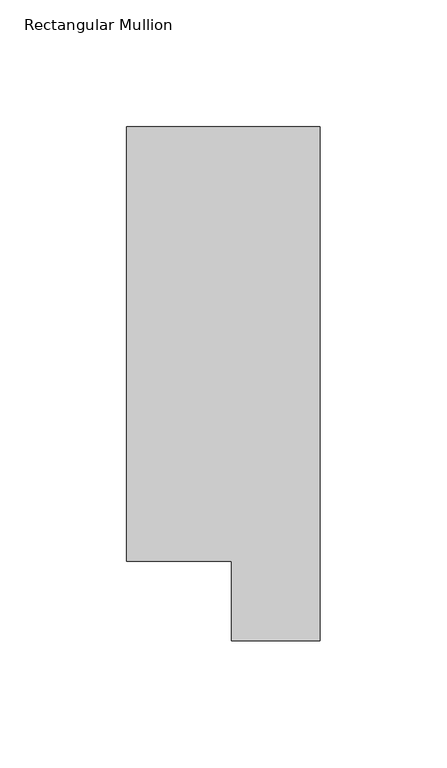
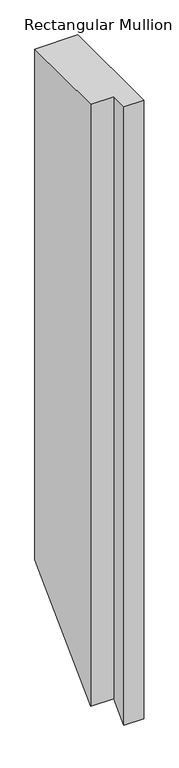
"""IFC4 building model written with IfcOpenShell, lengths in millimetres: member geometry, Rectangular Mullion."""

import ifcopenshell
import ifcopenshell.guid

model = None  # the IFC model being written
_history = None  # IfcOwnerHistory: only IFC2X3 demands one
_inside = {}  # id of a spatial element -> (the spatial element, [elements in it])
_under = {}  # id of a project, library or spatial element -> (it, [spatial elements below it])
_declared = {}  # id of a project -> (the project, [libraries it declares])
_typed = {}  # id of a type object -> (the type object, [elements of that type])
_made_of = {}  # id of a material, layer set ... -> (it, [elements and type objects made of it])


def new_model(schema):
    """Start an empty IFC model of exactly this schema.

    Asked for "IFC4X3", IfcOpenShell would pick the latest addendum, in which some entities
    have other attributes; the version numbers below select the first issue.
    IFC2X3 requires an IfcOwnerHistory on every rooted entity: one is made here for all.
    """
    global model, _history
    if schema == "IFC4X3":
        model = ifcopenshell.file(schema_version=(4, 3, 0, 0))
    else:
        model = ifcopenshell.file(schema=schema)
    _inside.clear()
    _under.clear()
    _declared.clear()
    _typed.clear()
    _made_of.clear()
    _history = None
    if model.schema == "IFC2X3":
        org = make("IfcOrganization", Name="unknown")
        user = make(
            "IfcPersonAndOrganization",
            ThePerson=make("IfcPerson", FamilyName="unknown"),
            TheOrganization=org,
        )
        app = make(
            "IfcApplication",
            ApplicationDeveloper=org,
            Version="unknown",
            ApplicationFullName="unknown",
            ApplicationIdentifier="unknown",
        )
        _history = make(
            "IfcOwnerHistory",
            OwningUser=user,
            OwningApplication=app,
            ChangeAction="ADDED",
            CreationDate=0,
        )
    return model


def make(cls, **values):
    """One entity of the class cls with the attributes given. An attribute that is None is left unset."""
    return model.create_entity(
        cls, **{name: value for name, value in values.items() if value is not None}
    )


def rooted(cls, **values):
    """An entity with a GlobalId (a new one), such as an element, a storey or a relation."""
    return make(cls, GlobalId=ifcopenshell.guid.new(), OwnerHistory=_history, **values)


def si_unit(unit_type, name, prefix=None):
    """IfcSIUnit, for example si_unit("LENGTHUNIT", "METRE", prefix="MILLI")."""
    return make("IfcSIUnit", UnitType=unit_type, Prefix=prefix, Name=name)


def assignment(units):
    """IfcUnitAssignment: the units of a project."""
    return None if units is None else make("IfcUnitAssignment", Units=units)


def point(xyz):
    """IfcCartesianPoint."""
    return None if xyz is None else make("IfcCartesianPoint", Coordinates=xyz)


def direction(xyz):
    """IfcDirection."""
    return None if xyz is None else make("IfcDirection", DirectionRatios=xyz)


def frame(location, z_axis=None, x_axis=None):
    """IfcAxis2Placement3D, a coordinate frame: its origin and axes. An axis left out is left unset."""
    return make(
        "IfcAxis2Placement3D",
        Location=point(location),
        Axis=direction(z_axis),
        RefDirection=direction(x_axis),
    )


def origin():
    """The frame at (0, 0, 0) with its axes left unset."""
    return frame((0.0, 0.0, 0.0))


def place(relative_to, where):
    """IfcLocalPlacement: puts the frame where relative to a parent placement (None: the world)."""
    return make(
        "IfcLocalPlacement", PlacementRelTo=relative_to, RelativePlacement=where
    )


def context(
    kind, dimensions, precision=None, world=None, true_north=None, identifier=None
):
    """IfcGeometricRepresentationContext, for example the 3D "Model" context."""
    return make(
        "IfcGeometricRepresentationContext",
        ContextIdentifier=identifier,
        ContextType=kind,
        CoordinateSpaceDimension=dimensions,
        Precision=precision,
        WorldCoordinateSystem=world,
        TrueNorth=true_north,
    )


def project(units=None, contexts=None):
    """IfcProject with its units and contexts."""
    return rooted(
        "IfcProject",
        Name="project",
        RepresentationContexts=contexts,
        UnitsInContext=assignment(units),
    )


def spatial(cls, under=None, at=None, **own):
    """A site, building, storey or space (cls), placed at a placement, below another one or the project."""
    s = rooted(cls, ObjectPlacement=at, **own)
    if under is not None:
        _under.setdefault(under.id(), (under, []))[1].append(s)
    return s


def faces_of(points, faces, orient=None, outer=None):
    """IfcFace entities. A face is a list of loops; a loop is a list of indices into points, from 0.

    orient and outer hold one flag for each loop. By default every Orientation is true, the
    first loop of a face is its IfcFaceOuterBound and the others are IfcFaceBound.
    """
    made = []
    for i, loops in enumerate(faces):
        bounds = []
        for j, loop in enumerate(loops):
            is_outer = j == 0 if outer is None else outer[i][j]
            bounds.append(
                make(
                    "IfcFaceOuterBound" if is_outer else "IfcFaceBound",
                    Bound=make("IfcPolyLoop", Polygon=[points[k] for k in loop]),
                    Orientation=True if orient is None else orient[i][j],
                )
            )
        made.append(make("IfcFace", Bounds=bounds))
    return made


def faceted_brep(points, faces, orient=None, outer=None, voids=None):
    """IfcFacetedBrep: a solid bounded by flat faces; with voids (closed shells), ...WithVoids."""
    shared = [point(p) for p in points]
    hull = make("IfcClosedShell", CfsFaces=faces_of(shared, faces, orient, outer))
    if voids is None:
        return make("IfcFacetedBrep", Outer=hull)
    return make(
        "IfcFacetedBrepWithVoids",
        Outer=hull,
        Voids=[
            make(cls, CfsFaces=faces_of(shared, fs, o, b)) for cls, fs, o, b in voids
        ],
    )


def shape(context_of_items, identifier, shape_type, items):
    """IfcShapeRepresentation: the items that make up one representation, for example the "Body"."""
    return make(
        "IfcShapeRepresentation",
        ContextOfItems=context_of_items,
        RepresentationIdentifier=identifier,
        RepresentationType=shape_type,
        Items=items,
    )


def source(mapping_origin, context_of_items, identifier, shape_type, items):
    """IfcRepresentationMap: a shape defined once, which mapped items show again and again."""
    return make(
        "IfcRepresentationMap",
        MappingOrigin=mapping_origin,
        MappedRepresentation=shape(context_of_items, identifier, shape_type, items),
    )


def transform(
    local_origin,
    x_axis=None,
    y_axis=None,
    z_axis=None,
    scale=None,
    scale2=None,
    scale3=None,
    uniform=True,
):
    """IfcCartesianTransformationOperator3D, or its non-uniform kind. x_axis, y_axis, z_axis: its Axis1, 2, 3."""
    if uniform:
        return make(
            "IfcCartesianTransformationOperator3D",
            Axis1=direction(x_axis),
            Axis2=direction(y_axis),
            LocalOrigin=point(local_origin),
            Scale=scale,
            Axis3=direction(z_axis),
        )
    return make(
        "IfcCartesianTransformationOperator3DnonUniform",
        Axis1=direction(x_axis),
        Axis2=direction(y_axis),
        LocalOrigin=point(local_origin),
        Scale=scale,
        Axis3=direction(z_axis),
        Scale2=scale2,
        Scale3=scale3,
    )


def mapped(mapping_source, mapping_target):
    """IfcMappedItem: shows the shape of a source again, moved by a transform."""
    return make(
        "IfcMappedItem", MappingSource=mapping_source, MappingTarget=mapping_target
    )


def made_of(thing, what):
    """Note that an element or type object is made of a material, layer set ...; save() writes the relation."""
    if what is not None:
        _made_of.setdefault(what.id(), (what, []))[1].append(thing)
    return thing


def element(
    cls,
    number,
    at=None,
    inside=None,
    cuts=None,
    type_object=None,
    material=None,
    context=None,
    identifier="Body",
    shape_type=None,
    held_by="IfcProductDefinitionShape",
    body=None,
    shapes=None,
    **own,
):
    """One element of the class cls, such as IfcWall. Its Tag is "e" and its number.

    at: its placement. inside: the storey or other place that contains it. cuts: it is an
    opening in that element (IfcRelVoidsElement). A single representation is given by context,
    identifier, shape_type and body (its items); several are given by shapes. held_by: the class
    of the entity that holds the representations. save() writes the other relations.
    """
    e = rooted(cls, Tag="e%d" % number, ObjectPlacement=at, **own)
    if body is not None:
        shapes = [shape(context, identifier, shape_type, body)]
    if shapes is not None:
        e.Representation = make(held_by, Representations=shapes)
    if inside is not None:
        _inside.setdefault(inside.id(), (inside, []))[1].append(e)
    if cuts is not None:
        rooted(
            "IfcRelVoidsElement", RelatingBuildingElement=cuts, RelatedOpeningElement=e
        )
    if type_object is not None:
        _typed.setdefault(type_object.id(), (type_object, []))[1].append(e)
    return made_of(e, material)


def aggregate(whole, parts):
    """IfcRelAggregates: a whole, such as a stair, and the parts it consists of."""
    return rooted("IfcRelAggregates", RelatingObject=whole, RelatedObjects=parts)


def save(model, path):
    """Write the relations noted so far, then the file.

    IfcRelAggregates (storeys below a building ...), IfcRelContainedInSpatialStructure (elements
    in a storey), IfcRelDefinesByType, IfcRelAssociatesMaterial and IfcRelDeclares: one each for
    every whole, place, type object, material and project.
    """
    for whole, parts in _under.values():
        aggregate(whole, parts)
    for where, things in _inside.values():
        rooted(
            "IfcRelContainedInSpatialStructure",
            RelatedElements=things,
            RelatingStructure=where,
        )
    for kind, things in _typed.values():
        rooted("IfcRelDefinesByType", RelatedObjects=things, RelatingType=kind)
    for what, things in _made_of.values():
        rooted("IfcRelAssociatesMaterial", RelatedObjects=things, RelatingMaterial=what)
    for by, libraries in _declared.values():
        rooted("IfcRelDeclares", RelatingContext=by, RelatedDefinitions=libraries)
    model.write(path)


def rectangular_mullion_f7fde414(model_context):
    return source(origin(), model_context, "Body", "Brep", [
        faceted_brep([(0.0, 222.0301313, 0.0), (-76.2, 222.0301313, 0.0), (-76.2, 50.820278, 0.0), (-34.9123, 50.820278, 0.0), (-34.9123, 19.5667312, 0.0), (0.0, 19.5667312, 0.0), (0.0, 222.0301313, -959.413539), (-76.2, 222.0301313, -959.413539), (-76.2, 50.820278, -1130.6233923), (-34.9123, 50.820278, -1130.6233923), (-34.9123, 19.5667312, -1161.876939), (0.0, 19.5667312, -1161.876939)], [[[0, 1, 2, 3, 4, 5]], [[1, 0, 6, 7]], [[2, 1, 7, 8]], [[3, 2, 8, 9]], [[4, 3, 9, 10]], [[5, 4, 10, 11]], [[0, 5, 11, 6]], [[6, 11, 10, 9, 8, 7]]]),
    ])


if __name__ == "__main__":
    model = new_model("IFC4")
    model_context = context("Model", 3, world=origin())
    ifc_project = project(units=[si_unit("LENGTHUNIT", "METRE", prefix="MILLI")], contexts=[model_context])
    site = spatial("IfcSite", under=ifc_project)
    building = spatial("IfcBuilding", under=site)
    placement = place(None, origin())
    rectangular_mullion_shape = rectangular_mullion_f7fde414(model_context)
    element("IfcMember", 1, ObjectType="Rectangular Mullion", at=placement, inside=building, context=model_context, shape_type="MappedRepresentation", body=[
        mapped(rectangular_mullion_shape, transform((0.0, 0.0, 0.0), x_axis=(1.0, 0.0, 0.0), y_axis=(0.0, 1.0, 0.0), z_axis=(0.0, 0.0, 1.0))),
    ])
    save(model, "model.ifc")
